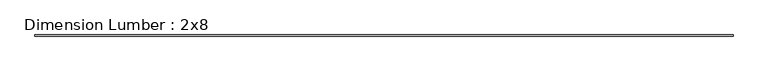
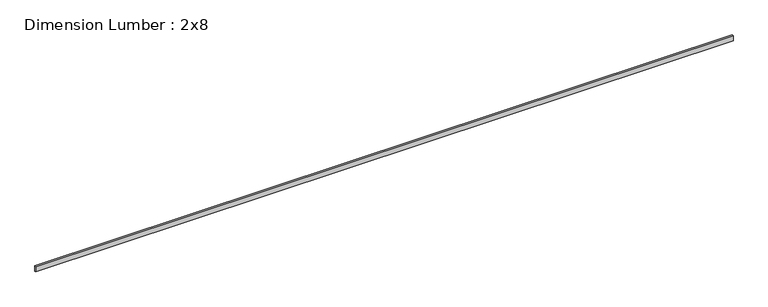
"""IFC4 building model written with IfcOpenShell, lengths in millimetres: beam geometry, Dimension Lumber : 2x8."""

from ifc_helpers import new_model, si_unit, frame, origin, place, context, project, spatial, polyline, outline, extrude, source, transform, mapped, element, save


def dimension_lumber_2x8_10c27856(model_context):
    return source(origin(), model_context, "Body", "SweptSolid", [
        extrude(outline(polyline([(11271.0764916, 19.05), (11271.0764916, -19.05), (-11271.0764916, -19.05), (-11271.0764916, 19.05), (11271.0764916, 19.05)])), frame((0.0, 0.0, -92.075), z_axis=(0.0, 0.0, 1.0), x_axis=(1.0, 0.0, 0.0)), (0.0, 0.0, 1.0), 184.15),
    ])


if __name__ == "__main__":
    model = new_model("IFC4")
    model_context = context("Model", 3, world=origin())
    ifc_project = project(units=[si_unit("LENGTHUNIT", "METRE", prefix="MILLI")], contexts=[model_context])
    site = spatial("IfcSite", under=ifc_project)
    building = spatial("IfcBuilding", under=site)
    placement = place(None, origin())
    dimension_lumber_2x8_shape = dimension_lumber_2x8_10c27856(model_context)
    element("IfcBeam", 1, ObjectType="Dimension Lumber : 2x8", at=placement, inside=building, context=model_context, shape_type="MappedRepresentation", body=[
        mapped(dimension_lumber_2x8_shape, transform((0.0, 0.0, 0.0), x_axis=(1.0, 0.0, 0.0), y_axis=(0.0, 1.0, 0.0), z_axis=(0.0, 0.0, 1.0))),
    ])
    save(model, "model.ifc")
